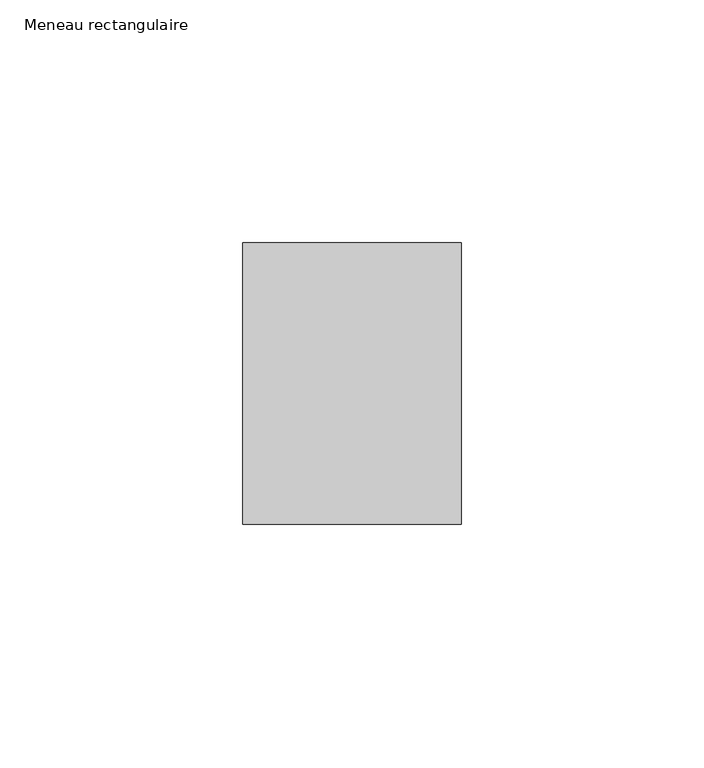
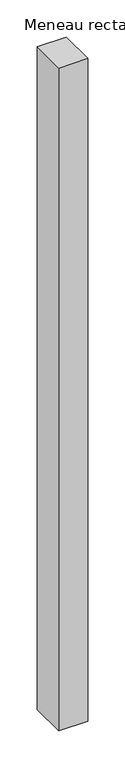
"""IFC4 building model written with IfcOpenShell, lengths in millimetres: member geometry, Meneau rectangulaire."""

from ifc_helpers import new_model, si_unit, frame, origin, place, context, project, spatial, polyline, outline, extrude, source, transform, mapped, element, save


def meneau_rectangulaire_ecf70497(model_context):
    return source(origin(), model_context, "Body", "SweptSolid", [
        extrude(outline(polyline([(-45.0, 29.0), (0.0, 29.0), (0.0, -29.0), (-45.0, -29.0), (-45.0, 29.0)])), frame((0.0, 0.0, -1090.6249998), z_axis=(0.0, 0.0, 1.0), x_axis=(1.0, 0.0, 0.0)), (0.0, 0.0, 1.0), 1090.6249998),
    ])


if __name__ == "__main__":
    model = new_model("IFC4")
    model_context = context("Model", 3, world=origin())
    ifc_project = project(units=[si_unit("LENGTHUNIT", "METRE", prefix="MILLI")], contexts=[model_context])
    site = spatial("IfcSite", under=ifc_project)
    building = spatial("IfcBuilding", under=site)
    placement = place(None, origin())
    meneau_rectangulaire_shape = meneau_rectangulaire_ecf70497(model_context)
    element("IfcMember", 1, ObjectType="Meneau rectangulaire", at=placement, inside=building, context=model_context, shape_type="MappedRepresentation", body=[
        mapped(meneau_rectangulaire_shape, transform((0.0, 0.0, 0.0), x_axis=(1.0, 0.0, 0.0), y_axis=(0.0, 1.0, 0.0), z_axis=(0.0, 0.0, 1.0))),
    ])
    save(model, "model.ifc")
